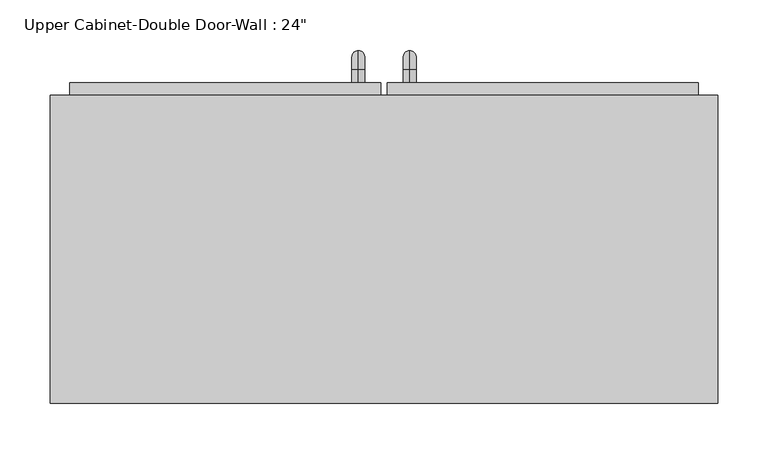
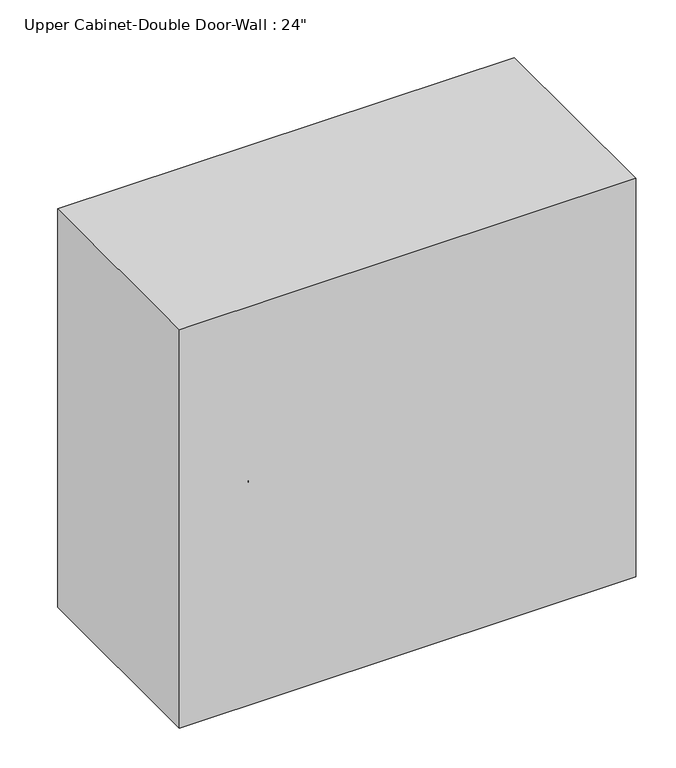
"""IFC4 building model written with IfcOpenShell, lengths in millimetres: furniture geometry."""

from ifc_helpers import new_model, si_unit, point, frame, origin, place, context, project, spatial, polyline, circle_curve, ellipse_curve, trimmed, outline, extrude, faceted_brep, source, transform, mapped, element, save
from ifc_brep_helpers import plane_surface, cylinder_surface, revolved_surface, advanced_brep


def furniture_e1ff5af5(model_context):
    return source(origin(), model_context, "Body", "SolidModel", [
        faceted_brep([(-300.4288372, 76.2, 2133.6), (-300.4288372, 76.2, 1524.0), (359.9711628, 76.2, 1524.0), (359.9711628, 76.2, 2133.6), (-300.4288372, 381.0, 2133.6), (359.9711628, 381.0, 2133.6), (359.9711628, 381.0, 1524.0), (-300.4288372, 381.0, 1524.0), (-281.3788372, 381.0, 2114.55), (-281.3788372, 381.0, 1543.05), (340.9211628, 381.0, 1543.05), (340.9211628, 381.0, 2114.55), (340.9211628, 95.25, 2114.55), (-281.3788372, 95.25, 2114.55), (340.9211628, 95.25, 1543.05), (-281.3788372, 95.25, 1543.05)], [[[0, 1, 2, 3]], [[4, 5, 6, 7], [8, 9, 10, 11]], [[1, 0, 4, 7]], [[2, 1, 7, 6]], [[3, 2, 6, 5]], [[0, 3, 5, 4]], [[8, 11, 12, 13]], [[11, 10, 14, 12]], [[10, 9, 15, 14]], [[9, 8, 13, 15]], [[13, 12, 14, 15]]]),
        advanced_brep(
        [(55.1711628, 393.7, 1670.05), (55.1711628, 393.7, 1682.75), (55.1711628, 406.4, 1670.05), (55.1711628, 406.4, 1682.75), (55.1711628, 425.45, 1663.7), (55.1711628, 412.75, 1663.7), (55.1711628, 412.75, 1587.5), (55.1711628, 425.45, 1587.5), (55.1711628, 406.4, 1568.45), (55.1711628, 406.4, 1581.15), (55.1711628, 393.7, 1581.15), (55.1711628, 393.7, 1568.45)],
        [
            (0, 1, circle_curve(frame((55.1711628, 393.7, 1676.4), z_axis=(0.0, -1.0, 0.0), x_axis=(0.0, 0.0, -1.0)), 6.35)),
            (1, 0, circle_curve(frame((55.1711628, 393.7, 1676.4), z_axis=(0.0, -1.0, 0.0), x_axis=(0.0, 0.0, -1.0)), 6.35)),
            (0, 2),
            (2, 3, circle_curve(frame((55.1711628, 406.4, 1676.4), z_axis=(0.0, -1.0, 0.0), x_axis=(0.0, 0.0, -1.0)), 6.35)),
            (3, 1),
            (3, 2, circle_curve(frame((55.1711628, 406.4, 1676.4), z_axis=(0.0, -1.0, 0.0), x_axis=(0.0, 0.0, -1.0)), 6.35)),
            (4, 3, circle_curve(frame((55.1711628, 406.4, 1663.7), z_axis=(1.0, 0.0, 0.0), x_axis=(0.0, 0.0, 1.0)), 19.05)),
            (2, 5, circle_curve(frame((55.1711628, 406.4, 1663.7), z_axis=(-1.0, 0.0, 0.0), x_axis=(0.0, 0.0, 1.0)), 6.35)),
            (5, 4, circle_curve(frame((55.1711628, 419.1, 1663.7), z_axis=(0.0, 0.0, 1.0), x_axis=(0.0, -1.0, 0.0)), 6.35)),
            (4, 5, circle_curve(frame((55.1711628, 419.1, 1663.7), z_axis=(0.0, 0.0, 1.0), x_axis=(0.0, -1.0, 0.0)), 6.35)),
            (5, 6),
            (6, 7, circle_curve(frame((55.1711628, 419.1, 1587.5), z_axis=(0.0, 0.0, 1.0), x_axis=(0.0, -1.0, 0.0)), 6.35)),
            (7, 4),
            (7, 6, circle_curve(frame((55.1711628, 419.1, 1587.5), z_axis=(0.0, 0.0, 1.0), x_axis=(0.0, -1.0, 0.0)), 6.35)),
            (8, 7, circle_curve(frame((55.1711628, 406.4, 1587.5), z_axis=(1.0, 0.0, 0.0), x_axis=(0.0, 1.0, 0.0)), 19.05)),
            (6, 9, circle_curve(frame((55.1711628, 406.4, 1587.5), z_axis=(-1.0, 0.0, 0.0), x_axis=(0.0, 1.0, 0.0)), 6.35)),
            (9, 8, circle_curve(frame((55.1711628, 406.4, 1574.8), z_axis=(0.0, 1.0, 0.0), x_axis=(0.0, 0.0, 1.0)), 6.35)),
            (8, 9, circle_curve(frame((55.1711628, 406.4, 1574.8), z_axis=(0.0, 1.0, 0.0), x_axis=(0.0, 0.0, 1.0)), 6.35)),
            (10, 11, circle_curve(frame((55.1711628, 393.7, 1574.8), z_axis=(0.0, -1.0, 0.0), x_axis=(0.0, 0.0, 1.0)), 6.35)),
            (11, 10, circle_curve(frame((55.1711628, 393.7, 1574.8), z_axis=(0.0, -1.0, 0.0), x_axis=(0.0, 0.0, 1.0)), 6.35)),
            (9, 10),
            (11, 8),
        ],
        [
            plane_surface(frame((48.8211628, 393.7, 1676.4), z_axis=(0.0, -1.0, 0.0), x_axis=(0.0, 0.0, 1.0))),
            cylinder_surface(frame((55.1711628, 393.7, 1676.4), z_axis=(0.0, -1.0, 0.0), x_axis=(0.0, 0.0, -1.0)), 6.35),
            revolved_surface(trimmed(ellipse_curve(frame((55.1711628, 406.4, 1676.4), z_axis=(0.0, -1.0, 0.0), x_axis=(0.0, 0.0, -1.0)), 6.35, 6.35), [point((55.1711628, 406.4, 1670.05))], [point((55.1711628, 406.4, 1682.75))], True, "CARTESIAN"), (55.1711628, 406.4, 1663.7), (-1.0, 0.0, 0.0)),
            revolved_surface(trimmed(ellipse_curve(frame((55.1711628, 406.4, 1676.4), z_axis=(0.0, -1.0, 0.0), x_axis=(0.0, 0.0, -1.0)), 6.35, 6.35), [point((55.1711628, 406.4, 1682.75))], [point((55.1711628, 406.4, 1670.05))], True, "CARTESIAN"), (55.1711628, 406.4, 1663.7), (-1.0, 0.0, 0.0)),
            cylinder_surface(frame((55.1711628, 419.1, 1663.7), z_axis=(0.0, 0.0, 1.0), x_axis=(0.0, -1.0, 0.0)), 6.35),
            revolved_surface(trimmed(ellipse_curve(frame((55.1711628, 419.1, 1587.5), z_axis=(0.0, 0.0, 1.0), x_axis=(0.0, -1.0, 0.0)), 6.35, 6.35), [point((55.1711628, 412.75, 1587.5))], [point((55.1711628, 425.45, 1587.5))], True, "CARTESIAN"), (55.1711628, 406.4, 1587.5), (-1.0, 0.0, 0.0)),
            revolved_surface(trimmed(ellipse_curve(frame((55.1711628, 419.1, 1587.5), z_axis=(0.0, 0.0, 1.0), x_axis=(0.0, -1.0, 0.0)), 6.35, 6.35), [point((55.1711628, 425.45, 1587.5))], [point((55.1711628, 412.75, 1587.5))], True, "CARTESIAN"), (55.1711628, 406.4, 1587.5), (-1.0, 0.0, 0.0)),
            plane_surface(frame((48.8211628, 393.7, 1574.8), z_axis=(0.0, -1.0, 0.0), x_axis=(0.0, 0.0, -1.0))),
            cylinder_surface(frame((55.1711628, 406.4, 1574.8), z_axis=(0.0, 1.0, 0.0), x_axis=(0.0, 0.0, 1.0)), 6.35),
        ],
        [
            (0, [[1, 2]]),
            (1, [[-1, 3, 4, 5]]),
            (1, [[-2, -5, 6, -3]]),
            (2, [[7, -4, 8, 9]]),
            (3, [[-8, -6, -7, 10]]),
            (4, [[-9, 11, 12, 13]]),
            (4, [[-10, -13, 14, -11]]),
            (5, [[15, -12, 16, 17]]),
            (6, [[-16, -14, -15, 18]]),
            (7, [[19, 20]]),
            (8, [[-17, 21, -20, 22]]),
            (8, [[-18, -22, -19, -21]]),
        ],
    ),
        advanced_brep(
        [(4.3711628, 393.7, 1670.05), (4.3711628, 393.7, 1682.75), (4.3711628, 406.4, 1670.05), (4.3711628, 406.4, 1682.75), (4.3711628, 425.45, 1663.7), (4.3711628, 412.75, 1663.7), (4.3711628, 412.75, 1587.5), (4.3711628, 425.45, 1587.5), (4.3711628, 406.4, 1568.45), (4.3711628, 406.4, 1581.15), (4.3711628, 393.7, 1581.15), (4.3711628, 393.7, 1568.45)],
        [
            (0, 1, circle_curve(frame((4.3711628, 393.7, 1676.4), z_axis=(0.0, -1.0, 0.0), x_axis=(0.0, 0.0, 1.0)), 6.35)),
            (1, 0, circle_curve(frame((4.3711628, 393.7, 1676.4), z_axis=(0.0, -1.0, 0.0), x_axis=(0.0, 0.0, 1.0)), 6.35)),
            (0, 2),
            (2, 3, circle_curve(frame((4.3711628, 406.4, 1676.4), z_axis=(0.0, -1.0, 0.0), x_axis=(0.0, 0.0, 1.0)), 6.35)),
            (3, 1),
            (3, 2, circle_curve(frame((4.3711628, 406.4, 1676.4), z_axis=(0.0, -1.0, 0.0), x_axis=(0.0, 0.0, 1.0)), 6.35)),
            (4, 3, circle_curve(frame((4.3711628, 406.4, 1663.7), z_axis=(1.0, 0.0, 0.0), x_axis=(0.0, 0.0, 1.0)), 19.05)),
            (2, 5, circle_curve(frame((4.3711628, 406.4, 1663.7), z_axis=(-1.0, 0.0, 0.0), x_axis=(0.0, 0.0, 1.0)), 6.35)),
            (5, 4, circle_curve(frame((4.3711628, 419.1, 1663.7), z_axis=(0.0, 0.0, 1.0), x_axis=(0.0, 1.0, 0.0)), 6.35)),
            (4, 5, circle_curve(frame((4.3711628, 419.1, 1663.7), z_axis=(0.0, 0.0, 1.0), x_axis=(0.0, 1.0, 0.0)), 6.35)),
            (5, 6),
            (6, 7, circle_curve(frame((4.3711628, 419.1, 1587.5), z_axis=(0.0, 0.0, 1.0), x_axis=(0.0, 1.0, 0.0)), 6.35)),
            (7, 4),
            (7, 6, circle_curve(frame((4.3711628, 419.1, 1587.5), z_axis=(0.0, 0.0, 1.0), x_axis=(0.0, 1.0, 0.0)), 6.35)),
            (8, 7, circle_curve(frame((4.3711628, 406.4, 1587.5), z_axis=(1.0, 0.0, 0.0), x_axis=(0.0, 1.0, 0.0)), 19.05)),
            (6, 9, circle_curve(frame((4.3711628, 406.4, 1587.5), z_axis=(-1.0, 0.0, 0.0), x_axis=(0.0, 1.0, 0.0)), 6.35)),
            (9, 8, circle_curve(frame((4.3711628, 406.4, 1574.8), z_axis=(0.0, 1.0, 0.0), x_axis=(0.0, 0.0, -1.0)), 6.35)),
            (8, 9, circle_curve(frame((4.3711628, 406.4, 1574.8), z_axis=(0.0, 1.0, 0.0), x_axis=(0.0, 0.0, -1.0)), 6.35)),
            (10, 11, circle_curve(frame((4.3711628, 393.7, 1574.8), z_axis=(0.0, -1.0, 0.0), x_axis=(0.0, 0.0, -1.0)), 6.35)),
            (11, 10, circle_curve(frame((4.3711628, 393.7, 1574.8), z_axis=(0.0, -1.0, 0.0), x_axis=(0.0, 0.0, -1.0)), 6.35)),
            (9, 10),
            (11, 8),
        ],
        [
            plane_surface(frame((-1.9788372, 393.7, 1676.4), z_axis=(0.0, -1.0, 0.0), x_axis=(0.0, 0.0, 1.0))),
            cylinder_surface(frame((4.3711628, 393.7, 1676.4), z_axis=(0.0, -1.0, 0.0), x_axis=(0.0, 0.0, 1.0)), 6.35),
            revolved_surface(trimmed(ellipse_curve(frame((4.3711628, 406.4, 1676.4), z_axis=(0.0, -1.0, 0.0), x_axis=(0.0, 0.0, 1.0)), 6.35, 6.35), [point((4.3711628, 406.4, 1670.05))], [point((4.3711628, 406.4, 1682.75))], True, "CARTESIAN"), (4.3711628, 406.4, 1663.7), (-1.0, 0.0, 0.0)),
            revolved_surface(trimmed(ellipse_curve(frame((4.3711628, 406.4, 1676.4), z_axis=(0.0, -1.0, 0.0), x_axis=(0.0, 0.0, 1.0)), 6.35, 6.35), [point((4.3711628, 406.4, 1682.75))], [point((4.3711628, 406.4, 1670.05))], True, "CARTESIAN"), (4.3711628, 406.4, 1663.7), (-1.0, 0.0, 0.0)),
            cylinder_surface(frame((4.3711628, 419.1, 1663.7), z_axis=(0.0, 0.0, 1.0), x_axis=(0.0, 1.0, 0.0)), 6.35),
            revolved_surface(trimmed(ellipse_curve(frame((4.3711628, 419.1, 1587.5), z_axis=(0.0, 0.0, 1.0), x_axis=(0.0, 1.0, 0.0)), 6.35, 6.35), [point((4.3711628, 412.75, 1587.5))], [point((4.3711628, 425.45, 1587.5))], True, "CARTESIAN"), (4.3711628, 406.4, 1587.5), (-1.0, 0.0, 0.0)),
            revolved_surface(trimmed(ellipse_curve(frame((4.3711628, 419.1, 1587.5), z_axis=(0.0, 0.0, 1.0), x_axis=(0.0, 1.0, 0.0)), 6.35, 6.35), [point((4.3711628, 425.45, 1587.5))], [point((4.3711628, 412.75, 1587.5))], True, "CARTESIAN"), (4.3711628, 406.4, 1587.5), (-1.0, 0.0, 0.0)),
            plane_surface(frame((-1.9788372, 393.7, 1574.8), z_axis=(0.0, -1.0, 0.0), x_axis=(0.0, 0.0, -1.0))),
            cylinder_surface(frame((4.3711628, 406.4, 1574.8), z_axis=(0.0, 1.0, 0.0), x_axis=(0.0, 0.0, -1.0)), 6.35),
        ],
        [
            (0, [[1, 2]]),
            (1, [[-1, 3, 4, 5]]),
            (1, [[-2, -5, 6, -3]]),
            (2, [[7, -4, 8, 9]]),
            (3, [[-8, -6, -7, 10]]),
            (4, [[-9, 11, 12, 13]]),
            (4, [[-10, -13, 14, -11]]),
            (5, [[15, -12, 16, 17]]),
            (6, [[-16, -14, -15, 18]]),
            (7, [[19, 20]]),
            (8, [[-17, 21, -20, 22]]),
            (8, [[-18, -22, -19, -21]]),
        ],
    ),
        extrude(outline(polyline([(32.9461628, 393.7), (340.9211628, 393.7), (340.9211628, 361.95), (32.9461628, 361.95), (32.9461628, 393.7)])), frame((0.0, 0.0, 1543.05), z_axis=(0.0, 0.0, 1.0), x_axis=(1.0, 0.0, 0.0)), (0.0, 0.0, 1.0), 571.5),
        extrude(outline(polyline([(-281.3788372, 393.7), (26.5961628, 393.7), (26.5961628, 361.95), (-281.3788372, 361.95), (-281.3788372, 393.7)])), frame((0.0, 0.0, 1543.05), z_axis=(0.0, 0.0, 1.0), x_axis=(1.0, 0.0, 0.0)), (0.0, 0.0, 1.0), 571.5),
    ])


if __name__ == "__main__":
    model = new_model("IFC4")
    model_context = context("Model", 3, world=origin())
    ifc_project = project(units=[si_unit("LENGTHUNIT", "METRE", prefix="MILLI")], contexts=[model_context])
    site = spatial("IfcSite", under=ifc_project)
    building = spatial("IfcBuilding", under=site)
    placement = place(None, origin())
    furniture_shape = furniture_e1ff5af5(model_context)
    element("IfcFurniture", 1, ObjectType="Upper Cabinet-Double Door-Wall : 24\"", at=placement, inside=building, context=model_context, shape_type="MappedRepresentation", body=[
        mapped(furniture_shape, transform((0.0, 0.0, 0.0), x_axis=(1.0, 0.0, 0.0), y_axis=(0.0, 1.0, 0.0), z_axis=(0.0, 0.0, 1.0))),
    ])
    save(model, "model.ifc")
